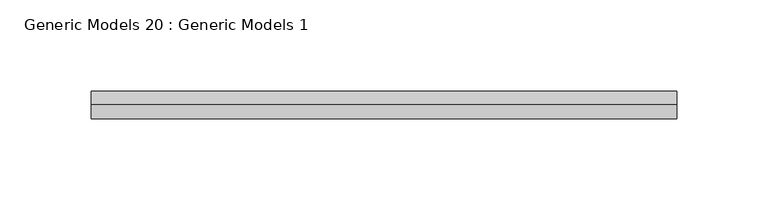
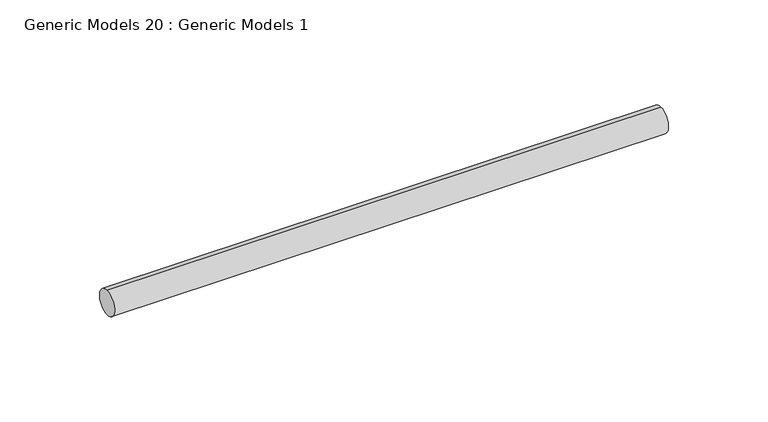
"""IFC4 building model written with IfcOpenShell, lengths in millimetres: proxy geometry, Generic Models 20 : Generic Models 1."""

import ifcopenshell
import ifcopenshell.guid

model = None  # the IFC model being written
_history = None  # IfcOwnerHistory: only IFC2X3 demands one
_inside = {}  # id of a spatial element -> (the spatial element, [elements in it])
_under = {}  # id of a project, library or spatial element -> (it, [spatial elements below it])
_declared = {}  # id of a project -> (the project, [libraries it declares])
_typed = {}  # id of a type object -> (the type object, [elements of that type])
_made_of = {}  # id of a material, layer set ... -> (it, [elements and type objects made of it])


def new_model(schema):
    """Start an empty IFC model of exactly this schema.

    Asked for "IFC4X3", IfcOpenShell would pick the latest addendum, in which some entities
    have other attributes; the version numbers below select the first issue.
    IFC2X3 requires an IfcOwnerHistory on every rooted entity: one is made here for all.
    """
    global model, _history
    if schema == "IFC4X3":
        model = ifcopenshell.file(schema_version=(4, 3, 0, 0))
    else:
        model = ifcopenshell.file(schema=schema)
    _inside.clear()
    _under.clear()
    _declared.clear()
    _typed.clear()
    _made_of.clear()
    _history = None
    if model.schema == "IFC2X3":
        org = make("IfcOrganization", Name="unknown")
        user = make(
            "IfcPersonAndOrganization",
            ThePerson=make("IfcPerson", FamilyName="unknown"),
            TheOrganization=org,
        )
        app = make(
            "IfcApplication",
            ApplicationDeveloper=org,
            Version="unknown",
            ApplicationFullName="unknown",
            ApplicationIdentifier="unknown",
        )
        _history = make(
            "IfcOwnerHistory",
            OwningUser=user,
            OwningApplication=app,
            ChangeAction="ADDED",
            CreationDate=0,
        )
    return model


def make(cls, **values):
    """One entity of the class cls with the attributes given. An attribute that is None is left unset."""
    return model.create_entity(
        cls, **{name: value for name, value in values.items() if value is not None}
    )


def rooted(cls, **values):
    """An entity with a GlobalId (a new one), such as an element, a storey or a relation."""
    return make(cls, GlobalId=ifcopenshell.guid.new(), OwnerHistory=_history, **values)


def si_unit(unit_type, name, prefix=None):
    """IfcSIUnit, for example si_unit("LENGTHUNIT", "METRE", prefix="MILLI")."""
    return make("IfcSIUnit", UnitType=unit_type, Prefix=prefix, Name=name)


def assignment(units):
    """IfcUnitAssignment: the units of a project."""
    return None if units is None else make("IfcUnitAssignment", Units=units)


def point(xyz):
    """IfcCartesianPoint."""
    return None if xyz is None else make("IfcCartesianPoint", Coordinates=xyz)


def direction(xyz):
    """IfcDirection."""
    return None if xyz is None else make("IfcDirection", DirectionRatios=xyz)


def frame(location, z_axis=None, x_axis=None):
    """IfcAxis2Placement3D, a coordinate frame: its origin and axes. An axis left out is left unset."""
    return make(
        "IfcAxis2Placement3D",
        Location=point(location),
        Axis=direction(z_axis),
        RefDirection=direction(x_axis),
    )


def frame_2d(location, x_axis=None):
    """IfcAxis2Placement2D, a coordinate frame in the plane: its origin and x axis."""
    return make(
        "IfcAxis2Placement2D", Location=point(location), RefDirection=direction(x_axis)
    )


def origin():
    """The frame at (0, 0, 0) with its axes left unset."""
    return frame((0.0, 0.0, 0.0))


def place(relative_to, where):
    """IfcLocalPlacement: puts the frame where relative to a parent placement (None: the world)."""
    return make(
        "IfcLocalPlacement", PlacementRelTo=relative_to, RelativePlacement=where
    )


def context(
    kind, dimensions, precision=None, world=None, true_north=None, identifier=None
):
    """IfcGeometricRepresentationContext, for example the 3D "Model" context."""
    return make(
        "IfcGeometricRepresentationContext",
        ContextIdentifier=identifier,
        ContextType=kind,
        CoordinateSpaceDimension=dimensions,
        Precision=precision,
        WorldCoordinateSystem=world,
        TrueNorth=true_north,
    )


def project(units=None, contexts=None):
    """IfcProject with its units and contexts."""
    return rooted(
        "IfcProject",
        Name="project",
        RepresentationContexts=contexts,
        UnitsInContext=assignment(units),
    )


def spatial(cls, under=None, at=None, **own):
    """A site, building, storey or space (cls), placed at a placement, below another one or the project."""
    s = rooted(cls, ObjectPlacement=at, **own)
    if under is not None:
        _under.setdefault(under.id(), (under, []))[1].append(s)
    return s


def circle_curve(where, radius):
    """IfcCircle in the frame where."""
    return make("IfcCircle", Position=where, Radius=radius)


def trimmed(basis, trim1, trim2, sense, master):
    """IfcTrimmedCurve: the piece of a basis curve between two trims."""
    return make(
        "IfcTrimmedCurve",
        BasisCurve=basis,
        Trim1=trim1,
        Trim2=trim2,
        SenseAgreement=sense,
        MasterRepresentation=master,
    )


def segment(curve, same_sense, transition):
    """IfcCompositeCurveSegment."""
    return make(
        "IfcCompositeCurveSegment",
        Transition=transition,
        SameSense=same_sense,
        ParentCurve=curve,
    )


def composite_curve(segments, self_intersect=None):
    """IfcCompositeCurve: segments joined end to end."""
    return make("IfcCompositeCurve", Segments=segments, SelfIntersect=self_intersect)


def outline(outer, holes=None, kind="AREA"):
    """IfcArbitraryClosedProfileDef: a profile drawn as a closed curve; with holes, ...WithVoids."""
    if holes is None:
        return make("IfcArbitraryClosedProfileDef", ProfileType=kind, OuterCurve=outer)
    return make(
        "IfcArbitraryProfileDefWithVoids",
        ProfileType=kind,
        OuterCurve=outer,
        InnerCurves=holes,
    )


def extrude(swept, where, along, depth):
    """IfcExtrudedAreaSolid: the profile swept, set in the frame where, extruded along a direction by depth."""
    return make(
        "IfcExtrudedAreaSolid",
        SweptArea=swept,
        Position=where,
        ExtrudedDirection=direction(along),
        Depth=depth,
    )


def shape(context_of_items, identifier, shape_type, items):
    """IfcShapeRepresentation: the items that make up one representation, for example the "Body"."""
    return make(
        "IfcShapeRepresentation",
        ContextOfItems=context_of_items,
        RepresentationIdentifier=identifier,
        RepresentationType=shape_type,
        Items=items,
    )


def source(mapping_origin, context_of_items, identifier, shape_type, items):
    """IfcRepresentationMap: a shape defined once, which mapped items show again and again."""
    return make(
        "IfcRepresentationMap",
        MappingOrigin=mapping_origin,
        MappedRepresentation=shape(context_of_items, identifier, shape_type, items),
    )


def transform(
    local_origin,
    x_axis=None,
    y_axis=None,
    z_axis=None,
    scale=None,
    scale2=None,
    scale3=None,
    uniform=True,
):
    """IfcCartesianTransformationOperator3D, or its non-uniform kind. x_axis, y_axis, z_axis: its Axis1, 2, 3."""
    if uniform:
        return make(
            "IfcCartesianTransformationOperator3D",
            Axis1=direction(x_axis),
            Axis2=direction(y_axis),
            LocalOrigin=point(local_origin),
            Scale=scale,
            Axis3=direction(z_axis),
        )
    return make(
        "IfcCartesianTransformationOperator3DnonUniform",
        Axis1=direction(x_axis),
        Axis2=direction(y_axis),
        LocalOrigin=point(local_origin),
        Scale=scale,
        Axis3=direction(z_axis),
        Scale2=scale2,
        Scale3=scale3,
    )


def mapped(mapping_source, mapping_target):
    """IfcMappedItem: shows the shape of a source again, moved by a transform."""
    return make(
        "IfcMappedItem", MappingSource=mapping_source, MappingTarget=mapping_target
    )


def made_of(thing, what):
    """Note that an element or type object is made of a material, layer set ...; save() writes the relation."""
    if what is not None:
        _made_of.setdefault(what.id(), (what, []))[1].append(thing)
    return thing


def element(
    cls,
    number,
    at=None,
    inside=None,
    cuts=None,
    type_object=None,
    material=None,
    context=None,
    identifier="Body",
    shape_type=None,
    held_by="IfcProductDefinitionShape",
    body=None,
    shapes=None,
    **own,
):
    """One element of the class cls, such as IfcWall. Its Tag is "e" and its number.

    at: its placement. inside: the storey or other place that contains it. cuts: it is an
    opening in that element (IfcRelVoidsElement). A single representation is given by context,
    identifier, shape_type and body (its items); several are given by shapes. held_by: the class
    of the entity that holds the representations. save() writes the other relations.
    """
    e = rooted(cls, Tag="e%d" % number, ObjectPlacement=at, **own)
    if body is not None:
        shapes = [shape(context, identifier, shape_type, body)]
    if shapes is not None:
        e.Representation = make(held_by, Representations=shapes)
    if inside is not None:
        _inside.setdefault(inside.id(), (inside, []))[1].append(e)
    if cuts is not None:
        rooted(
            "IfcRelVoidsElement", RelatingBuildingElement=cuts, RelatedOpeningElement=e
        )
    if type_object is not None:
        _typed.setdefault(type_object.id(), (type_object, []))[1].append(e)
    return made_of(e, material)


def aggregate(whole, parts):
    """IfcRelAggregates: a whole, such as a stair, and the parts it consists of."""
    return rooted("IfcRelAggregates", RelatingObject=whole, RelatedObjects=parts)


def save(model, path):
    """Write the relations noted so far, then the file.

    IfcRelAggregates (storeys below a building ...), IfcRelContainedInSpatialStructure (elements
    in a storey), IfcRelDefinesByType, IfcRelAssociatesMaterial and IfcRelDeclares: one each for
    every whole, place, type object, material and project.
    """
    for whole, parts in _under.values():
        aggregate(whole, parts)
    for where, things in _inside.values():
        rooted(
            "IfcRelContainedInSpatialStructure",
            RelatedElements=things,
            RelatingStructure=where,
        )
    for kind, things in _typed.values():
        rooted("IfcRelDefinesByType", RelatedObjects=things, RelatingType=kind)
    for what, things in _made_of.values():
        rooted("IfcRelAssociatesMaterial", RelatedObjects=things, RelatingMaterial=what)
    for by, libraries in _declared.values():
        rooted("IfcRelDeclares", RelatingContext=by, RelatedDefinitions=libraries)
    model.write(path)


def generic_models_20_generic_models_1_8fa83660(model_context):
    return source(origin(), model_context, "Body", "SweptSolid", [
        extrude(outline(composite_curve([segment(trimmed(circle_curve(frame_2d((400.3057469, -818.1141294)), 7.5), [point((400.3057469, -825.6141294))], [point((400.3057469, -810.6141294))], False, "CARTESIAN"), True, "CONTINUOUS"), segment(trimmed(circle_curve(frame_2d((400.3057469, -818.1141294)), 7.5), [point((400.3057469, -810.6141294))], [point((400.3057469, -825.6141294))], False, "CARTESIAN"), True, "CONTINUOUS")], self_intersect=False)), frame((4552.8268509, 0.0, 0.0), z_axis=(1.0, 0.0, 0.0), x_axis=(0.0, 1.0, 0.0)), (0.0, 0.0, 1.0), 321.0),
    ])


if __name__ == "__main__":
    model = new_model("IFC4")
    model_context = context("Model", 3, world=origin())
    ifc_project = project(units=[si_unit("LENGTHUNIT", "METRE", prefix="MILLI")], contexts=[model_context])
    site = spatial("IfcSite", under=ifc_project)
    building = spatial("IfcBuilding", under=site)
    placement = place(None, origin())
    generic_models_20_generic_models_1_shape = generic_models_20_generic_models_1_8fa83660(model_context)
    element("IfcBuildingElementProxy", 1, Name="Generic Models 20 : Generic Models 1", ObjectType="Generic Models 20 : Generic Models 1", at=placement, inside=building, context=model_context, shape_type="MappedRepresentation", body=[
        mapped(generic_models_20_generic_models_1_shape, transform((0.0, 0.0, 0.0), x_axis=(1.0, 0.0, 0.0), y_axis=(0.0, 1.0, 0.0), z_axis=(0.0, 0.0, 1.0))),
    ])
    save(model, "model.ifc")
